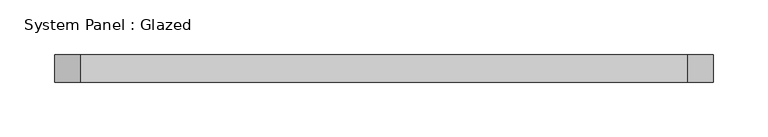
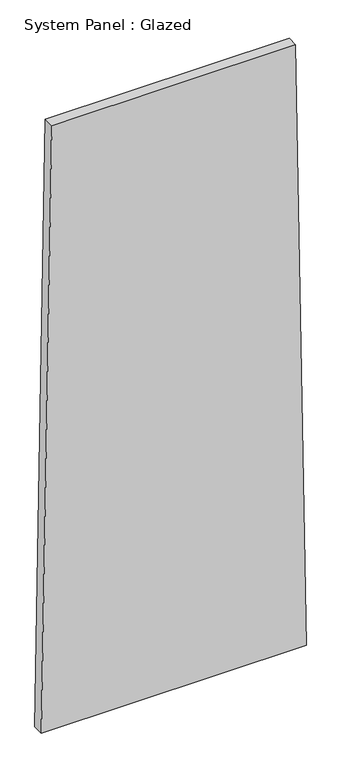
"""IFC4 building model written with IfcOpenShell, lengths in millimetres: plate geometry, System Panel : Glazed."""

from ifc_helpers import new_model, si_unit, frame, origin, place, context, project, spatial, polyline, outline, extrude, source, transform, mapped, element, save


def system_panel_glazed_f9fa6972(model_context):
    return source(origin(), model_context, "Body", "SweptSolid", [
        extrude(outline(polyline([(0.0, -301.1298447), (0.0, 301.1298447), (1449.7942951, 277.1091103), (1449.7942876, -277.109227), (0.0, -301.1298447)])), frame((0.0, -49.5, 0.0), z_axis=(0.0, 1.0, 0.0), x_axis=(0.0, 0.0, 1.0)), (0.0, 0.0, 1.0), 25.0),
    ])


if __name__ == "__main__":
    model = new_model("IFC4")
    model_context = context("Model", 3, world=origin())
    ifc_project = project(units=[si_unit("LENGTHUNIT", "METRE", prefix="MILLI")], contexts=[model_context])
    site = spatial("IfcSite", under=ifc_project)
    building = spatial("IfcBuilding", under=site)
    placement = place(None, origin())
    system_panel_glazed_shape = system_panel_glazed_f9fa6972(model_context)
    element("IfcPlate", 1, ObjectType="System Panel : Glazed", at=placement, inside=building, context=model_context, shape_type="MappedRepresentation", body=[
        mapped(system_panel_glazed_shape, transform((0.0, 0.0, 0.0), x_axis=(1.0, 0.0, 0.0), y_axis=(0.0, 1.0, 0.0), z_axis=(0.0, 0.0, 1.0))),
    ])
    save(model, "model.ifc")
